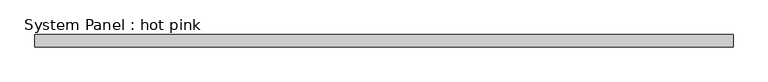
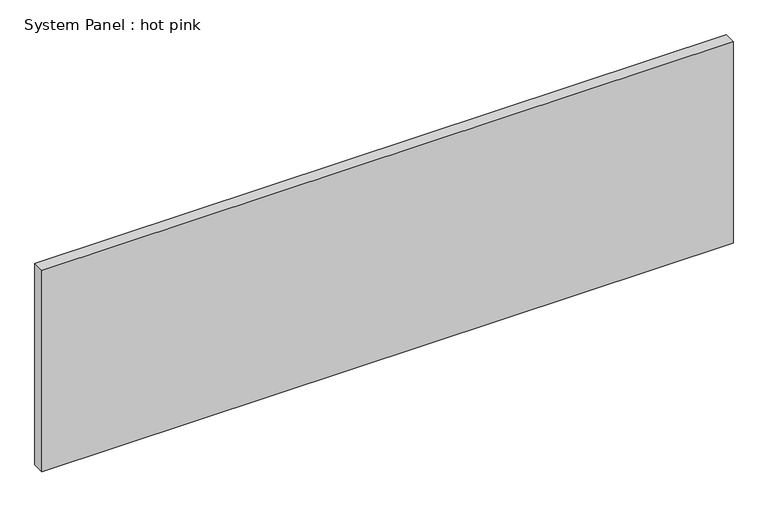
"""IFC4 building model written with IfcOpenShell, lengths in millimetres: plate geometry, System Panel : hot pink."""

from ifc_helpers import new_model, si_unit, origin, origin_with_axes, place, context, project, spatial, polyline, outline, extrude, source, transform, mapped, element, save


def system_panel_hot_pink_20c2ba97(model_context):
    return source(origin(), model_context, "Body", "SweptSolid", [
        extrude(outline(polyline([(1822.6161577, -19.05), (-1822.6161577, -19.05), (-1822.6161577, 44.45), (1822.6161577, 44.45), (1822.6161577, -19.05)])), origin_with_axes(), (0.0, 0.0, 1.0), 1123.95),
    ])


if __name__ == "__main__":
    model = new_model("IFC4")
    model_context = context("Model", 3, world=origin())
    ifc_project = project(units=[si_unit("LENGTHUNIT", "METRE", prefix="MILLI")], contexts=[model_context])
    site = spatial("IfcSite", under=ifc_project)
    building = spatial("IfcBuilding", under=site)
    placement = place(None, origin())
    system_panel_hot_pink_shape = system_panel_hot_pink_20c2ba97(model_context)
    element("IfcPlate", 1, ObjectType="System Panel : hot pink", at=placement, inside=building, context=model_context, shape_type="MappedRepresentation", body=[
        mapped(system_panel_hot_pink_shape, transform((0.0, 0.0, 0.0), x_axis=(1.0, 0.0, 0.0), y_axis=(0.0, 1.0, 0.0), z_axis=(0.0, 0.0, 1.0))),
    ])
    save(model, "model.ifc")
